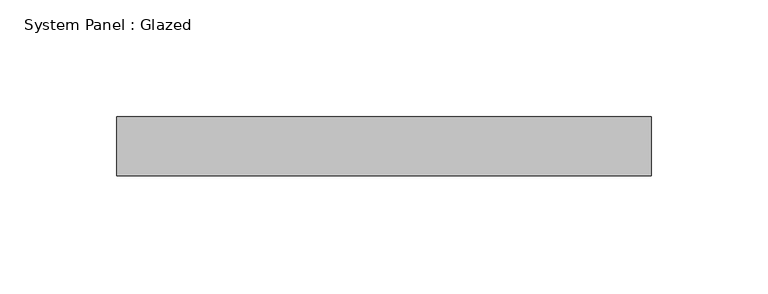
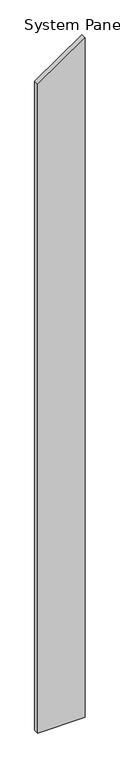
"""IFC4 building model written with IfcOpenShell, lengths in millimetres: plate geometry, System Panel : Glazed."""

from ifc_helpers import new_model, si_unit, frame, origin, place, context, project, spatial, polyline, outline, extrude, source, transform, mapped, element, save


def system_panel_glazed_984de76c(model_context):
    return source(origin(), model_context, "Body", "SweptSolid", [
        extrude(outline(polyline([(0.0, -114.7149371), (0.0, 114.7149371), (3477.7799186, 114.7149371), (3321.2443456, -114.7149371), (0.0, -114.7149371)])), frame((0.0, 19.05, 0.0), z_axis=(0.0, 1.0, 0.0), x_axis=(0.0, 0.0, 1.0)), (0.0, 0.0, 1.0), 25.4),
    ])


if __name__ == "__main__":
    model = new_model("IFC4")
    model_context = context("Model", 3, world=origin())
    ifc_project = project(units=[si_unit("LENGTHUNIT", "METRE", prefix="MILLI")], contexts=[model_context])
    site = spatial("IfcSite", under=ifc_project)
    building = spatial("IfcBuilding", under=site)
    placement = place(None, origin())
    system_panel_glazed_shape = system_panel_glazed_984de76c(model_context)
    element("IfcPlate", 1, ObjectType="System Panel : Glazed", at=placement, inside=building, context=model_context, shape_type="MappedRepresentation", body=[
        mapped(system_panel_glazed_shape, transform((0.0, 0.0, 0.0), x_axis=(1.0, 0.0, 0.0), y_axis=(0.0, 1.0, 0.0), z_axis=(0.0, 0.0, 1.0))),
    ])
    save(model, "model.ifc")
